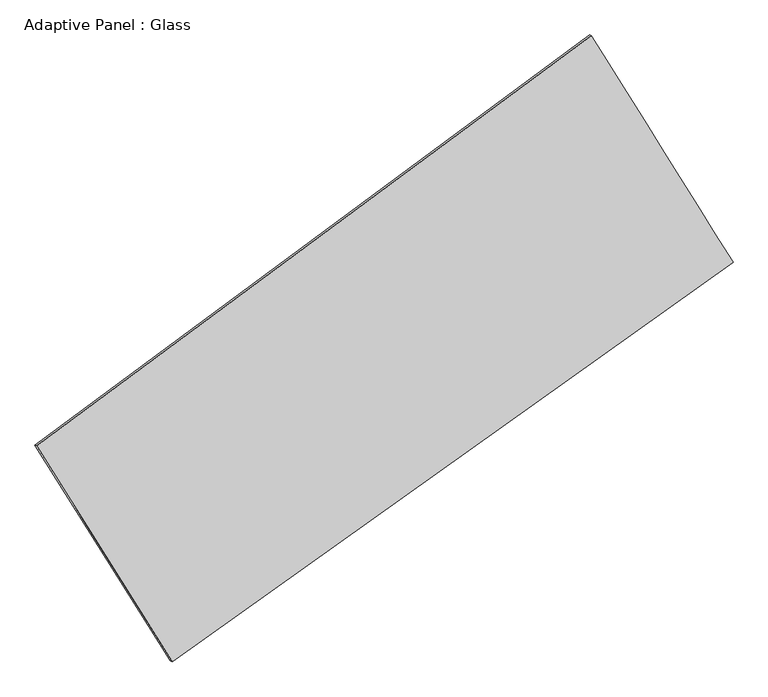
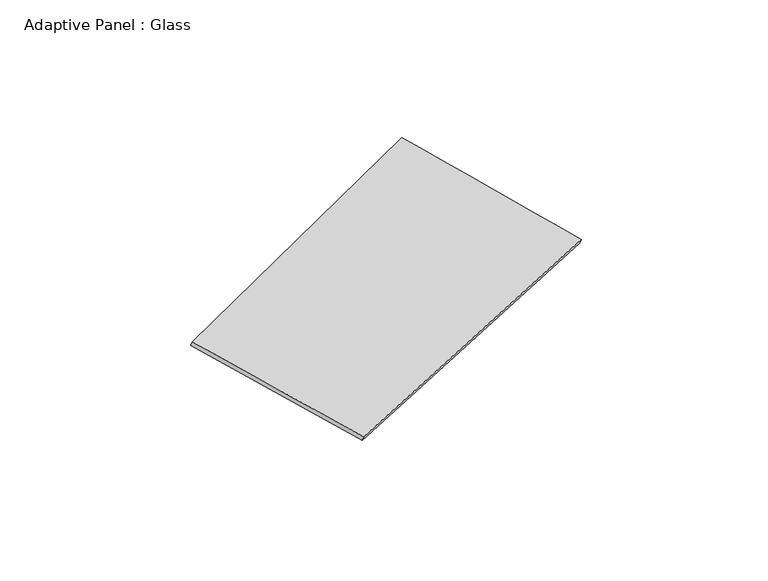
"""IFC4 building model written with IfcOpenShell, lengths in millimetres: plate geometry, Adaptive Panel : Glass."""

from ifc_helpers import new_model, si_unit, frame, origin, place, context, project, spatial, source, transform, mapped, element, save
from ifc_brep_helpers import plane_surface, spline_surface, advanced_brep


def adaptive_panel_glass_9d08db4f(model_context):
    return source(origin(), model_context, "Body", "AdvancedBrep", [
        advanced_brep(
        [(1100.1015114, 2556.4767126, 693.7871732), (-3567.9131656, -895.0235642, 1660.1675463), (-3553.2468098, -901.4036577, 1707.5404543), (1114.7678672, 2550.0966191, 741.1600812), (-2427.596563, -2710.4462136, 1076.9597768), (-2412.9302071, -2716.826307, 1124.3326849), (2292.117639, 648.7444923, 54.2080239), (2306.7839949, 642.3643989, 101.5809319)],
        [
            (0, 1),
            (1, 2),
            (2, 3),
            (3, 0),
            (1, 4),
            (4, 5),
            (5, 2),
            (4, 6),
            (6, 7),
            (7, 5),
            (6, 0),
            (3, 7),
        ],
        [
            plane_surface(frame((-1233.9058271, 830.7265742, 1176.9773597), z_axis=(-0.5346935942012675, 0.799653760435635, 0.27323364313583115), x_axis=(-0.7931611105981, -0.586458265912932, 0.1642015681325405))),
            plane_surface(frame((-2997.7548643, -1802.7348889, 1368.5636616), z_axis=(-0.8076883949564745, -0.5632907646372782, 0.1741923394612545), x_axis=(0.5132494789226172, -0.8171105521389831, -0.2624982246964508))),
            plane_surface(frame((-67.739462, -1030.8508606, 565.5839004), z_axis=(0.5188446475064454, -0.8111519384000422, -0.26987546124789985), x_axis=(0.8023072522274004, 0.5710309882330571, -0.17385822816564334))),
            plane_surface(frame((1696.1095752, 1602.6106025, 373.9975985), z_axis=(0.8077803595025795, 0.563143951230523, -0.17424058366051798), x_axis=(-0.509696960302248, 0.8157316760800899, 0.27347914234583975))),
            spline_surface(1, 1, [[(-3553.2468098, -901.4036577, 1707.5404543), (1114.7678672, 2550.0966191, 741.1600812)], [(-2412.9302071, -2716.826307, 1124.3326849), (2306.7839949, 642.3643989, 101.5809319)]], [2, 2], [2, 2], [0.0, 1.0], [0.0, 1.0]),
            spline_surface(1, 1, [[(2292.117639, 648.7444923, 54.2080239), (1100.1015114, 2556.4767126, 693.7871732)], [(-2427.596563, -2710.4462136, 1076.9597768), (-3567.9131656, -895.0235642, 1660.1675463)]], [2, 2], [2, 2], [0.0, 1.0], [0.0, 1.0]),
        ],
        [
            (0, [[1, 2, 3, 4]]),
            (1, [[5, 6, 7, -2]]),
            (2, [[8, 9, 10, -6]]),
            (3, [[11, -4, 12, -9]]),
            (4, [[-3, -7, -10, -12]]),
            (5, [[-11, -8, -5, -1]]),
        ],
    ),
    ])


if __name__ == "__main__":
    model = new_model("IFC4")
    model_context = context("Model", 3, world=origin())
    ifc_project = project(units=[si_unit("LENGTHUNIT", "METRE", prefix="MILLI")], contexts=[model_context])
    site = spatial("IfcSite", under=ifc_project)
    building = spatial("IfcBuilding", under=site)
    placement = place(None, origin())
    adaptive_panel_glass_shape = adaptive_panel_glass_9d08db4f(model_context)
    element("IfcPlate", 1, ObjectType="Adaptive Panel : Glass", at=placement, inside=building, context=model_context, shape_type="MappedRepresentation", body=[
        mapped(adaptive_panel_glass_shape, transform((0.0, 0.0, 0.0), x_axis=(1.0, 0.0, 0.0), y_axis=(0.0, 1.0, 0.0), z_axis=(0.0, 0.0, 1.0))),
    ])
    save(model, "model.ifc")
